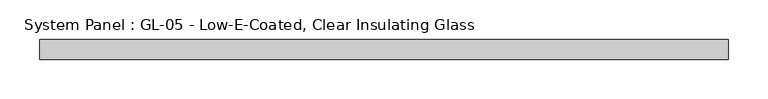
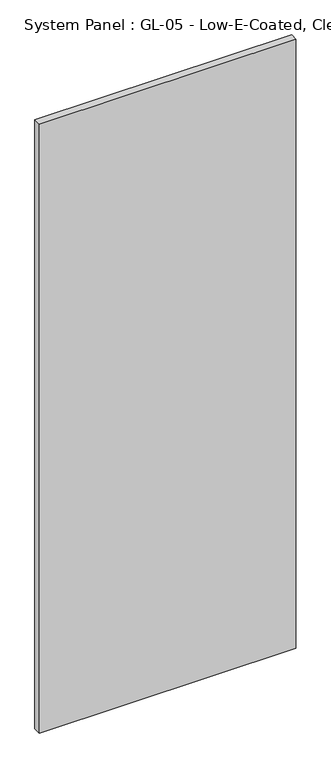
"""IFC4 building model written with IfcOpenShell, lengths in millimetres: plate geometry, System Panel : GL-05 - Low-E-Coated, Clear Insulating Glass."""

from ifc_helpers import new_model, si_unit, origin, origin_with_axes, place, context, project, spatial, polyline, outline, extrude, source, transform, mapped, element, save


def system_panel_gl_05_low_e_coated_clear_insulating_glass_d0b5123b(model_context):
    return source(origin(), model_context, "Body", "SweptSolid", [
        extrude(outline(polyline([(436.0333333, -12.7), (-436.0333333, -12.7), (-436.0333333, 12.7), (436.0333333, 12.7), (436.0333333, -12.7)])), origin_with_axes(), (0.0, 0.0, 1.0), 2186.8423077),
    ])


if __name__ == "__main__":
    model = new_model("IFC4")
    model_context = context("Model", 3, world=origin())
    ifc_project = project(units=[si_unit("LENGTHUNIT", "METRE", prefix="MILLI")], contexts=[model_context])
    site = spatial("IfcSite", under=ifc_project)
    building = spatial("IfcBuilding", under=site)
    placement = place(None, origin())
    system_panel_gl_05_low_e_coated_clear_insulating_glass_shape = system_panel_gl_05_low_e_coated_clear_insulating_glass_d0b5123b(model_context)
    element("IfcPlate", 1, ObjectType="System Panel : GL-05 - Low-E-Coated, Clear Insulating Glass", at=placement, inside=building, context=model_context, shape_type="MappedRepresentation", body=[
        mapped(system_panel_gl_05_low_e_coated_clear_insulating_glass_shape, transform((0.0, 0.0, 0.0), x_axis=(1.0, 0.0, 0.0), y_axis=(0.0, 1.0, 0.0), z_axis=(0.0, 0.0, 1.0))),
    ])
    save(model, "model.ifc")
